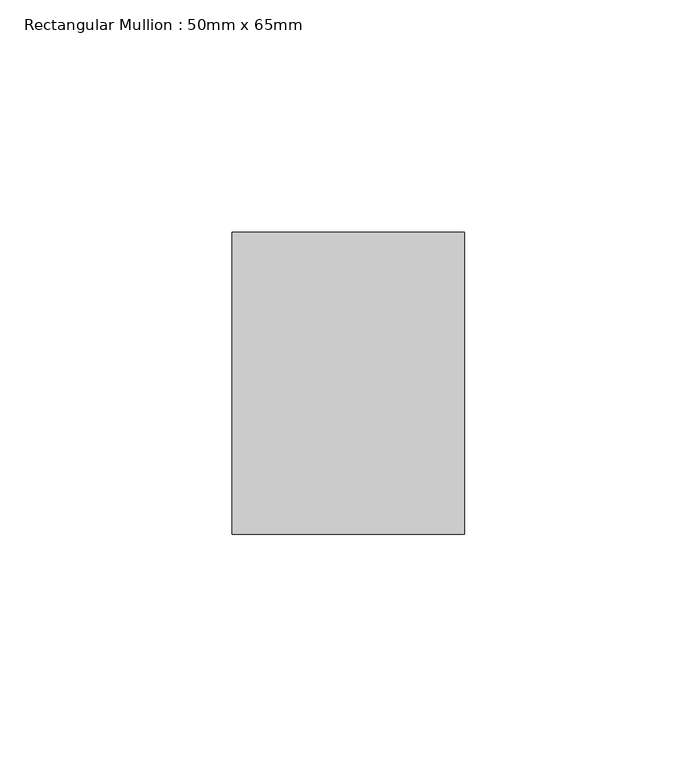
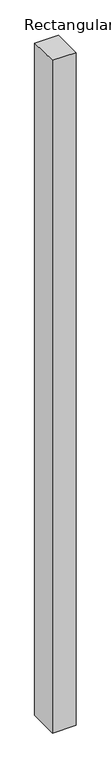
"""IFC4 building model written with IfcOpenShell, lengths in millimetres: member geometry, Rectangular Mullion : 50mm x 65mm."""

from ifc_helpers import new_model, si_unit, origin, place, context, project, spatial, faceted_brep, source, transform, mapped, element, save


def rectangular_mullion_50mm_x_65mm_39873318(model_context):
    return source(origin(), model_context, "Body", "Brep", [
        faceted_brep([(-25.0, 32.5, -0.3536688), (25.0, 32.5, -0.3536713), (25.0, 32.5, -1499.5482948), (-25.0, 32.5, -1499.548298), (-25.0, -32.5, 0.3536713), (-25.0, -32.5, -1500.4519269), (25.0, -32.5, 0.3536688), (25.0, -32.5, -1500.4519237)], [[[0, 1, 2, 3]], [[4, 0, 3, 5]], [[6, 4, 5, 7]], [[1, 6, 7, 2]], [[1, 0, 4, 6]], [[2, 7, 5, 3]]]),
    ])


if __name__ == "__main__":
    model = new_model("IFC4")
    model_context = context("Model", 3, world=origin())
    ifc_project = project(units=[si_unit("LENGTHUNIT", "METRE", prefix="MILLI")], contexts=[model_context])
    site = spatial("IfcSite", under=ifc_project)
    building = spatial("IfcBuilding", under=site)
    placement = place(None, origin())
    rectangular_mullion_50mm_x_65mm_shape = rectangular_mullion_50mm_x_65mm_39873318(model_context)
    element("IfcMember", 1, ObjectType="Rectangular Mullion : 50mm x 65mm", at=placement, inside=building, context=model_context, shape_type="MappedRepresentation", body=[
        mapped(rectangular_mullion_50mm_x_65mm_shape, transform((0.0, 0.0, 0.0), x_axis=(1.0, 0.0, 0.0), y_axis=(0.0, 1.0, 0.0), z_axis=(0.0, 0.0, 1.0))),
    ])
    save(model, "model.ifc")
